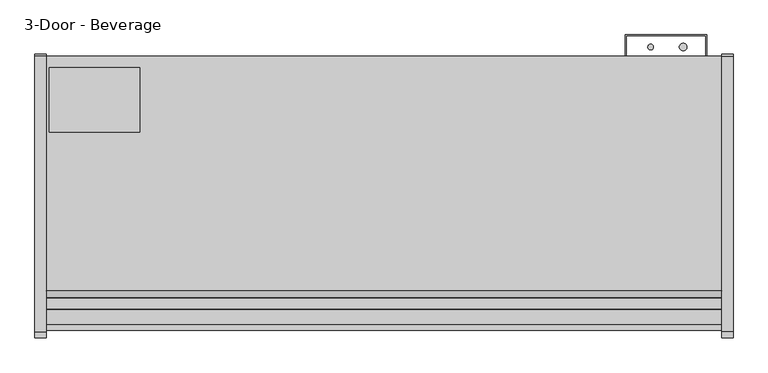
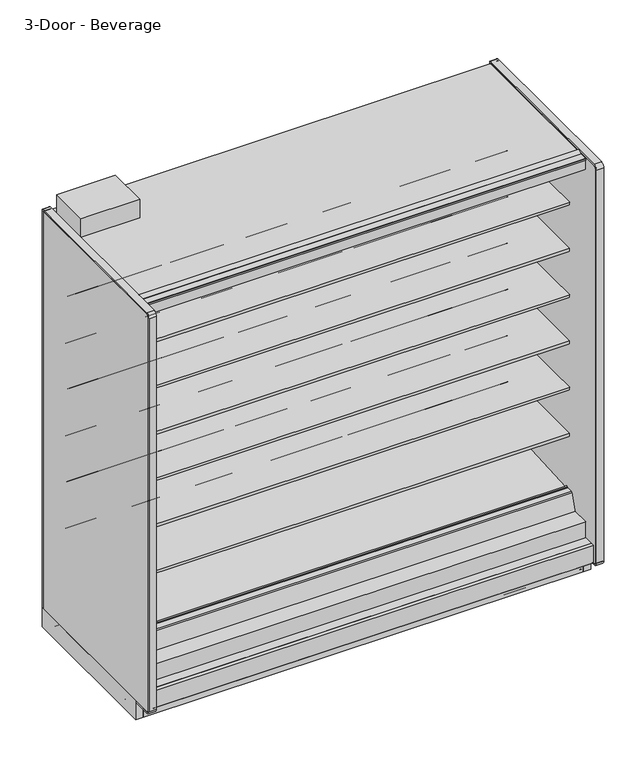
"""IFC4 building model written with IfcOpenShell, lengths in millimetres: proxy geometry, 3-Door - Beverage."""

import ifcopenshell
import ifcopenshell.guid

model = None  # the IFC model being written
_history = None  # IfcOwnerHistory: only IFC2X3 demands one
_inside = {}  # id of a spatial element -> (the spatial element, [elements in it])
_under = {}  # id of a project, library or spatial element -> (it, [spatial elements below it])
_declared = {}  # id of a project -> (the project, [libraries it declares])
_typed = {}  # id of a type object -> (the type object, [elements of that type])
_made_of = {}  # id of a material, layer set ... -> (it, [elements and type objects made of it])


def new_model(schema):
    """Start an empty IFC model of exactly this schema.

    Asked for "IFC4X3", IfcOpenShell would pick the latest addendum, in which some entities
    have other attributes; the version numbers below select the first issue.
    IFC2X3 requires an IfcOwnerHistory on every rooted entity: one is made here for all.
    """
    global model, _history
    if schema == "IFC4X3":
        model = ifcopenshell.file(schema_version=(4, 3, 0, 0))
    else:
        model = ifcopenshell.file(schema=schema)
    _inside.clear()
    _under.clear()
    _declared.clear()
    _typed.clear()
    _made_of.clear()
    _history = None
    if model.schema == "IFC2X3":
        org = make("IfcOrganization", Name="unknown")
        user = make(
            "IfcPersonAndOrganization",
            ThePerson=make("IfcPerson", FamilyName="unknown"),
            TheOrganization=org,
        )
        app = make(
            "IfcApplication",
            ApplicationDeveloper=org,
            Version="unknown",
            ApplicationFullName="unknown",
            ApplicationIdentifier="unknown",
        )
        _history = make(
            "IfcOwnerHistory",
            OwningUser=user,
            OwningApplication=app,
            ChangeAction="ADDED",
            CreationDate=0,
        )
    return model


def make(cls, **values):
    """One entity of the class cls with the attributes given. An attribute that is None is left unset."""
    return model.create_entity(
        cls, **{name: value for name, value in values.items() if value is not None}
    )


def rooted(cls, **values):
    """An entity with a GlobalId (a new one), such as an element, a storey or a relation."""
    return make(cls, GlobalId=ifcopenshell.guid.new(), OwnerHistory=_history, **values)


def si_unit(unit_type, name, prefix=None):
    """IfcSIUnit, for example si_unit("LENGTHUNIT", "METRE", prefix="MILLI")."""
    return make("IfcSIUnit", UnitType=unit_type, Prefix=prefix, Name=name)


def assignment(units):
    """IfcUnitAssignment: the units of a project."""
    return None if units is None else make("IfcUnitAssignment", Units=units)


def point(xyz):
    """IfcCartesianPoint."""
    return None if xyz is None else make("IfcCartesianPoint", Coordinates=xyz)


def direction(xyz):
    """IfcDirection."""
    return None if xyz is None else make("IfcDirection", DirectionRatios=xyz)


def frame(location, z_axis=None, x_axis=None):
    """IfcAxis2Placement3D, a coordinate frame: its origin and axes. An axis left out is left unset."""
    return make(
        "IfcAxis2Placement3D",
        Location=point(location),
        Axis=direction(z_axis),
        RefDirection=direction(x_axis),
    )


def frame_2d(location, x_axis=None):
    """IfcAxis2Placement2D, a coordinate frame in the plane: its origin and x axis."""
    return make(
        "IfcAxis2Placement2D", Location=point(location), RefDirection=direction(x_axis)
    )


def origin():
    """The frame at (0, 0, 0) with its axes left unset."""
    return frame((0.0, 0.0, 0.0))


def origin_with_axes():
    """The frame at (0, 0, 0) with the z axis (0, 0, 1) and the x axis (1, 0, 0) written out."""
    return frame((0.0, 0.0, 0.0), z_axis=(0.0, 0.0, 1.0), x_axis=(1.0, 0.0, 0.0))


def place(relative_to, where):
    """IfcLocalPlacement: puts the frame where relative to a parent placement (None: the world)."""
    return make(
        "IfcLocalPlacement", PlacementRelTo=relative_to, RelativePlacement=where
    )


def context(
    kind, dimensions, precision=None, world=None, true_north=None, identifier=None
):
    """IfcGeometricRepresentationContext, for example the 3D "Model" context."""
    return make(
        "IfcGeometricRepresentationContext",
        ContextIdentifier=identifier,
        ContextType=kind,
        CoordinateSpaceDimension=dimensions,
        Precision=precision,
        WorldCoordinateSystem=world,
        TrueNorth=true_north,
    )


def project(units=None, contexts=None):
    """IfcProject with its units and contexts."""
    return rooted(
        "IfcProject",
        Name="project",
        RepresentationContexts=contexts,
        UnitsInContext=assignment(units),
    )


def spatial(cls, under=None, at=None, **own):
    """A site, building, storey or space (cls), placed at a placement, below another one or the project."""
    s = rooted(cls, ObjectPlacement=at, **own)
    if under is not None:
        _under.setdefault(under.id(), (under, []))[1].append(s)
    return s


def polyline(points):
    """IfcPolyline through the points."""
    return make("IfcPolyline", Points=[point(p) for p in points])


def circle_curve(where, radius):
    """IfcCircle in the frame where."""
    return make("IfcCircle", Position=where, Radius=radius)


def trimmed(basis, trim1, trim2, sense, master):
    """IfcTrimmedCurve: the piece of a basis curve between two trims."""
    return make(
        "IfcTrimmedCurve",
        BasisCurve=basis,
        Trim1=trim1,
        Trim2=trim2,
        SenseAgreement=sense,
        MasterRepresentation=master,
    )


def segment(curve, same_sense, transition):
    """IfcCompositeCurveSegment."""
    return make(
        "IfcCompositeCurveSegment",
        Transition=transition,
        SameSense=same_sense,
        ParentCurve=curve,
    )


def composite_curve(segments, self_intersect=None):
    """IfcCompositeCurve: segments joined end to end."""
    return make("IfcCompositeCurve", Segments=segments, SelfIntersect=self_intersect)


def outline(outer, holes=None, kind="AREA"):
    """IfcArbitraryClosedProfileDef: a profile drawn as a closed curve; with holes, ...WithVoids."""
    if holes is None:
        return make("IfcArbitraryClosedProfileDef", ProfileType=kind, OuterCurve=outer)
    return make(
        "IfcArbitraryProfileDefWithVoids",
        ProfileType=kind,
        OuterCurve=outer,
        InnerCurves=holes,
    )


def extrude(swept, where, along, depth):
    """IfcExtrudedAreaSolid: the profile swept, set in the frame where, extruded along a direction by depth."""
    return make(
        "IfcExtrudedAreaSolid",
        SweptArea=swept,
        Position=where,
        ExtrudedDirection=direction(along),
        Depth=depth,
    )


def shape(context_of_items, identifier, shape_type, items):
    """IfcShapeRepresentation: the items that make up one representation, for example the "Body"."""
    return make(
        "IfcShapeRepresentation",
        ContextOfItems=context_of_items,
        RepresentationIdentifier=identifier,
        RepresentationType=shape_type,
        Items=items,
    )


def source(mapping_origin, context_of_items, identifier, shape_type, items):
    """IfcRepresentationMap: a shape defined once, which mapped items show again and again."""
    return make(
        "IfcRepresentationMap",
        MappingOrigin=mapping_origin,
        MappedRepresentation=shape(context_of_items, identifier, shape_type, items),
    )


def transform(
    local_origin,
    x_axis=None,
    y_axis=None,
    z_axis=None,
    scale=None,
    scale2=None,
    scale3=None,
    uniform=True,
):
    """IfcCartesianTransformationOperator3D, or its non-uniform kind. x_axis, y_axis, z_axis: its Axis1, 2, 3."""
    if uniform:
        return make(
            "IfcCartesianTransformationOperator3D",
            Axis1=direction(x_axis),
            Axis2=direction(y_axis),
            LocalOrigin=point(local_origin),
            Scale=scale,
            Axis3=direction(z_axis),
        )
    return make(
        "IfcCartesianTransformationOperator3DnonUniform",
        Axis1=direction(x_axis),
        Axis2=direction(y_axis),
        LocalOrigin=point(local_origin),
        Scale=scale,
        Axis3=direction(z_axis),
        Scale2=scale2,
        Scale3=scale3,
    )


def mapped(mapping_source, mapping_target):
    """IfcMappedItem: shows the shape of a source again, moved by a transform."""
    return make(
        "IfcMappedItem", MappingSource=mapping_source, MappingTarget=mapping_target
    )


def made_of(thing, what):
    """Note that an element or type object is made of a material, layer set ...; save() writes the relation."""
    if what is not None:
        _made_of.setdefault(what.id(), (what, []))[1].append(thing)
    return thing


def element(
    cls,
    number,
    at=None,
    inside=None,
    cuts=None,
    type_object=None,
    material=None,
    context=None,
    identifier="Body",
    shape_type=None,
    held_by="IfcProductDefinitionShape",
    body=None,
    shapes=None,
    **own,
):
    """One element of the class cls, such as IfcWall. Its Tag is "e" and its number.

    at: its placement. inside: the storey or other place that contains it. cuts: it is an
    opening in that element (IfcRelVoidsElement). A single representation is given by context,
    identifier, shape_type and body (its items); several are given by shapes. held_by: the class
    of the entity that holds the representations. save() writes the other relations.
    """
    e = rooted(cls, Tag="e%d" % number, ObjectPlacement=at, **own)
    if body is not None:
        shapes = [shape(context, identifier, shape_type, body)]
    if shapes is not None:
        e.Representation = make(held_by, Representations=shapes)
    if inside is not None:
        _inside.setdefault(inside.id(), (inside, []))[1].append(e)
    if cuts is not None:
        rooted(
            "IfcRelVoidsElement", RelatingBuildingElement=cuts, RelatedOpeningElement=e
        )
    if type_object is not None:
        _typed.setdefault(type_object.id(), (type_object, []))[1].append(e)
    return made_of(e, material)


def aggregate(whole, parts):
    """IfcRelAggregates: a whole, such as a stair, and the parts it consists of."""
    return rooted("IfcRelAggregates", RelatingObject=whole, RelatedObjects=parts)


def save(model, path):
    """Write the relations noted so far, then the file.

    IfcRelAggregates (storeys below a building ...), IfcRelContainedInSpatialStructure (elements
    in a storey), IfcRelDefinesByType, IfcRelAssociatesMaterial and IfcRelDeclares: one each for
    every whole, place, type object, material and project.
    """
    for whole, parts in _under.values():
        aggregate(whole, parts)
    for where, things in _inside.values():
        rooted(
            "IfcRelContainedInSpatialStructure",
            RelatedElements=things,
            RelatingStructure=where,
        )
    for kind, things in _typed.values():
        rooted("IfcRelDefinesByType", RelatedObjects=things, RelatingType=kind)
    for what, things in _made_of.values():
        rooted("IfcRelAssociatesMaterial", RelatedObjects=things, RelatingMaterial=what)
    for by, libraries in _declared.values():
        rooted("IfcRelDeclares", RelatingContext=by, RelatedDefinitions=libraries)
    model.write(path)


def plane_surface(at):
    """IfcPlane: the flat surface through the origin of the frame at, square to its z axis."""
    return make("IfcPlane", Position=at)


def cylinder_surface(at, radius):
    """IfcCylindricalSurface: all points at the distance radius from the z axis of the frame at."""
    return make("IfcCylindricalSurface", Position=at, Radius=radius)


def revolved_surface(curve, axis_point, axis_direction):
    """IfcSurfaceOfRevolution: the curve turned about the line through axis_point along axis_direction."""
    return make(
        "IfcSurfaceOfRevolution",
        SweptCurve=make("IfcArbitraryOpenProfileDef", ProfileType="CURVE", Curve=curve),
        AxisPosition=make("IfcAxis1Placement", Location=point(axis_point), Axis=direction(axis_direction)),
    )


def advanced_brep(points, edges, surfaces, faces):
    """IfcAdvancedBrep: a solid bounded by faces that lie on surfaces and meet in shared edges.

    An edge is (start, end): straight between two places in points (the first is 0);
    or (start, end, curve); or (start, end, curve, False) where it runs against its curve.
    A face is (place in surfaces, loops), or (place, loops, False) where it looks against
    its surface's normal. A loop lists edges by number (the first is 1), with a minus sign
    where the edge is run from its end to its start. The first loop is the outer one.
    """
    corners = [point(p) for p in points]
    vertices = [make("IfcVertexPoint", VertexGeometry=c) for c in corners]
    made = []
    for start, end, *more in edges:
        made.append(
            make(
                "IfcEdgeCurve",
                EdgeStart=vertices[start],
                EdgeEnd=vertices[end],
                EdgeGeometry=more[0] if more else make("IfcPolyline", Points=[corners[start], corners[end]]),
                SameSense=more[1] if len(more) > 1 else True,
            )
        )
    hull = []
    for where, loops, *sense in faces:
        bounds = []
        for j, loop in enumerate(loops):
            ring = [make("IfcOrientedEdge", EdgeElement=made[abs(k) - 1], Orientation=k > 0) for k in loop]
            bounds.append(
                make(
                    "IfcFaceOuterBound" if j == 0 else "IfcFaceBound",
                    Bound=make("IfcEdgeLoop", EdgeList=ring),
                    Orientation=True,
                )
            )
        hull.append(make("IfcAdvancedFace", Bounds=bounds, FaceSurface=surfaces[where], SameSense=sense[0] if sense else True))
    return make("IfcAdvancedBrep", Outer=make("IfcClosedShell", CfsFaces=hull))


def proxy_3_door_beverage_190726e1(model_context):
    return source(origin(), model_context, "Body", "SolidModel", [
        extrude(outline(polyline([(2286.0, -1167.5349267), (2286.0, -1183.4099267), (0.0, -1183.4099267), (0.0, -1167.5349267), (2286.0, -1167.5349267)])), origin_with_axes(), (0.0, 0.0, 1.0), 105.16235),
        extrude(outline(polyline([(315.9000882, -386.7007273), (315.9000882, -605.1295388), (11.1115648, -605.1295388), (11.1115648, -386.7007273), (315.9000882, -386.7007273)])), frame((0.0, 0.0, 2282.825), z_axis=(0.0, 0.0, 1.0), x_axis=(1.0, 0.0, 0.0)), (0.0, 0.0, 1.0), 101.6),
        extrude(outline(composite_curve([segment(trimmed(circle_curve(frame_2d((2155.1930803, -317.2571273)), 12.7), [point((2142.4930803, -317.2571273))], [point((2167.8930803, -317.2571273))], False, "CARTESIAN"), True, "CONTINUOUS"), segment(trimmed(circle_curve(frame_2d((2155.1930803, -317.2571273)), 12.7), [point((2167.8930803, -317.2571273))], [point((2142.4930803, -317.2571273))], False, "CARTESIAN"), True, "CONTINUOUS")], self_intersect=False)), frame((0.0, 0.0, 1447.6965458), z_axis=(0.0, 0.0, 1.0), x_axis=(1.0, 0.0, 0.0)), (0.0, 0.0, 1.0), 508.0),
        extrude(outline(composite_curve([segment(trimmed(circle_curve(frame_2d((2045.2004524, -317.2571273)), 9.525), [point((2035.6754524, -317.2571273))], [point((2054.7254524, -317.2571273))], False, "CARTESIAN"), True, "CONTINUOUS"), segment(trimmed(circle_curve(frame_2d((2045.2004524, -317.2571273)), 9.525), [point((2054.7254524, -317.2571273))], [point((2035.6754524, -317.2571273))], False, "CARTESIAN"), True, "CONTINUOUS")], self_intersect=False)), frame((0.0, 0.0, 1447.6965458), z_axis=(0.0, 0.0, 1.0), x_axis=(1.0, 0.0, 0.0)), (0.0, 0.0, 1.0), 508.0),
        extrude(outline(composite_curve([segment(trimmed(circle_curve(frame_2d((2146.8004524, -526.8071273)), 9.525), [point((2137.2754524, -526.8071273))], [point((2156.3254524, -526.8071273))], False, "CARTESIAN"), True, "CONTINUOUS"), segment(trimmed(circle_curve(frame_2d((2146.8004524, -526.8071273)), 9.525), [point((2156.3254524, -526.8071273))], [point((2137.2754524, -526.8071273))], False, "CARTESIAN"), True, "CONTINUOUS")], self_intersect=False)), frame((0.0, 0.0, 57.8450688), z_axis=(0.0, 0.0, 1.0), x_axis=(1.0, 0.0, 0.0)), (0.0, 0.0, 1.0), 47.3172812),
        extrude(outline(composite_curve([segment(trimmed(circle_curve(frame_2d((2193.2930803, -526.8071273)), 12.7), [point((2180.5930803, -526.8071273))], [point((2205.9930803, -526.8071273))], False, "CARTESIAN"), True, "CONTINUOUS"), segment(trimmed(circle_curve(frame_2d((2193.2930803, -526.8071273)), 12.7), [point((2205.9930803, -526.8071273))], [point((2180.5930803, -526.8071273))], False, "CARTESIAN"), True, "CONTINUOUS")], self_intersect=False)), frame((0.0, 0.0, 57.8450688), z_axis=(0.0, 0.0, 1.0), x_axis=(1.0, 0.0, 0.0)), (0.0, 0.0, 1.0), 47.3172812),
        extrude(outline(composite_curve([segment(trimmed(circle_curve(frame_2d((1143.0, -945.9071273)), 38.1), [point((1104.9, -945.9071273))], [point((1181.1, -945.9071273))], False, "CARTESIAN"), True, "CONTINUOUS"), segment(trimmed(circle_curve(frame_2d((1143.0, -945.9071273)), 38.1), [point((1181.1, -945.9071273))], [point((1104.9, -945.9071273))], False, "CARTESIAN"), True, "CONTINUOUS")], self_intersect=False)), frame((0.0, 0.0, 57.8450688), z_axis=(0.0, 0.0, 1.0), x_axis=(1.0, 0.0, 0.0)), (0.0, 0.0, 1.0), 47.3172812),
        extrude(outline(polyline([(114.3, -411.7999572), (114.3, -462.5999572), (0.0, -462.5999572), (0.0, -411.7999572), (114.3, -411.7999572)])), frame((0.0, 0.0, 63.88735), z_axis=(0.0, 0.0, 1.0), x_axis=(1.0, 0.0, 0.0)), (0.0, 0.0, 1.0), 6.35),
        extrude(outline(polyline([(-349.0071273, 2231.5678), (-349.0071273, 105.16235), (-1256.6126273, 105.16235), (-1256.6126273, 201.2447768), (-1205.5205047, 201.2447768), (-1205.5205047, 169.3369447), (-1112.6665508, 150.0632248), (-401.0517273, 187.3573774), (-401.0517273, 2231.5678), (-349.0071273, 2231.5678)])), frame((0.0, 0.0, 0.0), z_axis=(1.0, 0.0, 0.0), x_axis=(0.0, 1.0, 0.0)), (0.0, 0.0, 1.0), 2286.0),
        advanced_brep(
        [(2286.0, -1018.871097, 105.16235), (2286.0, -1022.1071273, 101.9263197), (2286.0, -1022.1071273, 2.3876), (2286.0, -1019.7195273, 0.0), (2286.0, -982.0132273, 0.0), (2286.0, -982.0132273, 70.23735), (2286.0, -383.2457368, 70.23735), (2286.0, -383.2457368, 0.0), (2286.0, -351.3947273, 0.0), (2286.0, -349.0071273, 2.3876), (2286.0, -349.0071273, 100.830191), (2286.0, -353.3392863, 105.16235), (0.0, -1018.871097, 105.16235), (0.0, -353.3392863, 105.16235), (0.0, -349.0071273, 100.830191), (0.0, -349.0071273, 2.3876), (0.0, -351.3947273, 0.0), (0.0, -383.2457368, 0.0), (0.0, -383.2457368, 70.23735), (0.0, -982.0132273, 70.23735), (0.0, -982.0132273, 0.0), (0.0, -1019.7195273, 0.0), (0.0, -1022.1071273, 2.3876), (0.0, -1022.1071273, 101.9263197), (1193.8, -945.9071273, 105.16235), (1092.2, -945.9071273, 105.16235), (2222.5, -526.8071273, 105.16235), (2120.9, -526.8071273, 105.16235), (1107.2650095, -982.0132273, 70.23735), (1178.7349905, -982.0132273, 70.23735), (1193.8, -945.9071273, 70.23735), (1092.2, -945.9071273, 70.23735), (2120.9, -526.8071273, 70.23735), (2222.5, -526.8071273, 70.23735)],
        [
            (0, 1, circle_curve(frame((2286.0, -1018.871097, 101.9263197), z_axis=(1.0, 0.0, 0.0), x_axis=(0.0, 1.0, 0.0)), 3.2360303)),
            (1, 2),
            (2, 3, circle_curve(frame((2286.0, -1019.7195273, 2.3876), z_axis=(1.0, 0.0, 0.0), x_axis=(0.0, 1.0, 0.0)), 2.3876)),
            (3, 4),
            (4, 5),
            (5, 6),
            (6, 7),
            (7, 8),
            (8, 9, circle_curve(frame((2286.0, -351.3947273, 2.3876), z_axis=(1.0, 0.0, 0.0), x_axis=(0.0, 1.0, 0.0)), 2.3876)),
            (9, 10),
            (10, 11, circle_curve(frame((2286.0, -353.3392863, 100.830191), z_axis=(1.0, 0.0, 0.0), x_axis=(0.0, 1.0, 0.0)), 4.332159)),
            (11, 0),
            (12, 13),
            (13, 14, circle_curve(frame((0.0, -353.3392863, 100.830191), z_axis=(-1.0, 0.0, 0.0), x_axis=(0.0, 1.0, 0.0)), 4.332159)),
            (14, 15),
            (15, 16, circle_curve(frame((0.0, -351.3947273, 2.3876), z_axis=(-1.0, 0.0, 0.0), x_axis=(0.0, 1.0, 0.0)), 2.3876)),
            (16, 17),
            (17, 18),
            (18, 19),
            (19, 20),
            (20, 21),
            (21, 22, circle_curve(frame((0.0, -1019.7195273, 2.3876), z_axis=(-1.0, 0.0, 0.0), x_axis=(0.0, 1.0, 0.0)), 2.3876)),
            (22, 23),
            (23, 12, circle_curve(frame((0.0, -1018.871097, 101.9263197), z_axis=(-1.0, 0.0, 0.0), x_axis=(0.0, 1.0, 0.0)), 3.2360303)),
            (10, 14),
            (13, 11),
            (12, 0),
            (24, 25, circle_curve(frame((1143.0, -945.9071273, 105.16235), z_axis=(0.0, 0.0, -1.0), x_axis=(1.0, 0.0, 0.0)), 50.8)),
            (25, 24, circle_curve(frame((1143.0, -945.9071273, 105.16235), z_axis=(0.0, 0.0, -1.0), x_axis=(1.0, 0.0, 0.0)), 50.8)),
            (26, 27, circle_curve(frame((2171.7, -526.8071273, 105.16235), z_axis=(0.0, 0.0, -1.0), x_axis=(1.0, 0.0, 0.0)), 50.8)),
            (27, 26, circle_curve(frame((2171.7, -526.8071273, 105.16235), z_axis=(0.0, 0.0, -1.0), x_axis=(1.0, 0.0, 0.0)), 50.8)),
            (23, 1),
            (22, 2),
            (21, 3),
            (20, 4),
            (19, 28),
            (28, 29),
            (29, 5),
            (29, 30, circle_curve(frame((1143.0, -945.9071273, 70.23735), z_axis=(0.0, 0.0, 1.0), x_axis=(1.0, 0.0, 0.0)), 50.8)),
            (30, 31, circle_curve(frame((1143.0, -945.9071273, 70.23735), z_axis=(0.0, 0.0, 1.0), x_axis=(1.0, 0.0, 0.0)), 50.8)),
            (31, 28, circle_curve(frame((1143.0, -945.9071273, 70.23735), z_axis=(0.0, 0.0, 1.0), x_axis=(1.0, 0.0, 0.0)), 50.8)),
            (18, 6),
            (32, 33, circle_curve(frame((2171.7, -526.8071273, 70.23735), z_axis=(0.0, 0.0, 1.0), x_axis=(1.0, 0.0, 0.0)), 50.8)),
            (33, 32, circle_curve(frame((2171.7, -526.8071273, 70.23735), z_axis=(0.0, 0.0, 1.0), x_axis=(1.0, 0.0, 0.0)), 50.8)),
            (17, 7),
            (16, 8),
            (15, 9),
            (28, 29, circle_curve(frame((1143.0, -945.9071273, 70.23735), z_axis=(0.0, 0.0, 1.0), x_axis=(1.0, 0.0, 0.0)), 50.8)),
            (24, 30),
            (31, 25),
            (32, 27),
            (26, 33),
        ],
        [
            plane_surface(frame((2286.0, -1015.6350667, 101.9263197), z_axis=(1.0, 0.0, 0.0), x_axis=(0.0, 0.0, 1.0))),
            plane_surface(frame((0.0, -1015.6350667, 101.9263197), z_axis=(-1.0, 0.0, 0.0), x_axis=(0.0, 0.0, -1.0))),
            cylinder_surface(frame((0.0, -353.3392863, 100.830191), z_axis=(1.0, 0.0, 0.0), x_axis=(0.0, 1.0, 0.0)), 4.332159),
            plane_surface(frame((2286.0, -353.3392863, 105.16235), z_axis=(0.0, 0.0, 1.0), x_axis=(-1.0, 0.0, 0.0))),
            cylinder_surface(frame((0.0, -1018.871097, 101.9263197), z_axis=(1.0, 0.0, 0.0), x_axis=(0.0, 1.0, 0.0)), 3.2360303),
            plane_surface(frame((2286.0, -1022.1071273, 101.9263197), z_axis=(0.0, -1.0, 0.0), x_axis=(-1.0, 0.0, 0.0))),
            cylinder_surface(frame((0.0, -1019.7195273, 2.3876), z_axis=(1.0, 0.0, 0.0), x_axis=(0.0, 1.0, 0.0)), 2.3876),
            plane_surface(frame((2286.0, -1019.7195273, 0.0), z_axis=(0.0, 0.0, -1.0), x_axis=(-1.0, 0.0, 0.0))),
            plane_surface(frame((2286.0, -982.0132273, 0.0), z_axis=(0.0, 1.0, 0.0), x_axis=(-1.0, 0.0, 0.0))),
            plane_surface(frame((2286.0, -982.0132273, 70.23735), z_axis=(0.0, 0.0, -1.0), x_axis=(-1.0, 0.0, 0.0))),
            plane_surface(frame((2286.0, -383.2457368, 70.23735), z_axis=(0.0, -1.0, 0.0), x_axis=(-1.0, 0.0, 0.0))),
            plane_surface(frame((2286.0, -383.2457368, 0.0), z_axis=(0.0, 0.0, -1.0), x_axis=(-1.0, 0.0, 0.0))),
            cylinder_surface(frame((0.0, -351.3947273, 2.3876), z_axis=(1.0, 0.0, 0.0), x_axis=(0.0, 1.0, 0.0)), 2.3876),
            plane_surface(frame((1193.8, -945.9071273, 70.23735), z_axis=(0.0, 0.0, 1.0), x_axis=(0.0, -1.0, 0.0))),
            revolved_surface(polyline([(1193.8, -945.9071273, 105.16235), (1193.8, -945.9071273, 70.23735)]), (1143.0, -945.9071273, 70.23735), (0.0, 0.0, 1.0)),
            revolved_surface(polyline([(2222.5, -526.8071273, 105.16235), (2222.5, -526.8071273, 70.23735)]), (2171.7, -526.8071273, 0.0), (0.0, 0.0, 1.0)),
            plane_surface(frame((2286.0, -349.0071273, 2.3876), z_axis=(0.0, 1.0, 0.0), x_axis=(-1.0, 0.0, 0.0))),
        ],
        [
            (0, [[1, 2, 3, 4, 5, 6, 7, 8, 9, 10, 11, 12]]),
            (1, [[13, 14, 15, 16, 17, 18, 19, 20, 21, 22, 23, 24]]),
            (2, [[-11, 25, -14, 26]]),
            (3, [[-12, -26, -13, 27], [28, 29], [30, 31]]),
            (4, [[-1, -27, -24, 32]]),
            (5, [[-2, -32, -23, 33]]),
            (6, [[-3, -33, -22, 34]]),
            (7, [[-4, -34, -21, 35]]),
            (8, [[-5, -35, -20, 36, 37, 38]]),
            (9, [[-6, -38, 39, 40, 41, -36, -19, 42], [43, 44]]),
            (10, [[-7, -42, -18, 45]]),
            (11, [[-8, -45, -17, 46]]),
            (12, [[-9, -46, -16, 47]]),
            (13, [[48, -37]]),
            (14, [[49, -39, -48, -41, 50, -28]]),
            (14, [[-49, -29, -50, -40]]),
            (15, [[51, -30, 52, -43]]),
            (15, [[-51, -44, -52, -31]]),
            (16, [[-10, -47, -15, -25]]),
        ],
    ),
        extrude(outline(polyline([(1958.975, -349.0071273), (1958.975, -275.9821273), (2235.2, -275.9821273), (2235.2, -349.0071273), (2232.025, -349.0071273), (2232.025, -279.1571273), (1962.15, -279.1571273), (1962.15, -349.0071273), (1958.975, -349.0071273)])), frame((0.0, 0.0, 304.927), z_axis=(0.0, 0.0, 1.0), x_axis=(1.0, 0.0, 0.0)), (0.0, 0.0, 1.0), 1523.3666145),
        extrude(outline(composite_curve([segment(polyline([(-452.3089273, 610.906076), (-470.5727913, 610.5955195)]), True, "CONTINUOUS"), segment(trimmed(circle_curve(frame_2d((-471.0046274, 635.9918483)), 25.4), [point((-470.5727913, 610.5955195))], [point((-486.9819836, 616.2463656))], False, "CARTESIAN"), True, "CONTINUOUS"), segment(polyline([(-486.9819836, 616.2463656), (-504.8340447, 630.6916311)]), True, "CONTINUOUS"), segment(trimmed(circle_curve(frame_2d((-544.7774354, 581.3279244)), 63.5), [point((-504.8340447, 630.6916311))], [point((-536.8795542, 644.3348563))], True, "CARTESIAN"), True, "CONTINUOUS"), segment(polyline([(-536.8795542, 644.3348563), (-751.3282218, 668.0319937), (-752.8169983, 671.4725458), (-1061.9089273, 671.4725458), (-1061.9089273, 685.6965458), (-452.3089273, 685.6965458), (-452.3089273, 610.906076)]), True, "CONTINUOUS")], self_intersect=False)), frame((0.0, 0.0, 0.0), z_axis=(1.0, 0.0, 0.0), x_axis=(0.0, 1.0, 0.0)), (0.0, 0.0, 1.0), 2286.0),
        extrude(outline(composite_curve([segment(polyline([(-452.3089273, 864.906076), (-470.5727913, 864.5955195)]), True, "CONTINUOUS"), segment(trimmed(circle_curve(frame_2d((-471.0046274, 889.9918483)), 25.4), [point((-470.5727913, 864.5955195))], [point((-486.9819836, 870.2463656))], False, "CARTESIAN"), True, "CONTINUOUS"), segment(polyline([(-486.9819836, 870.2463656), (-504.8340447, 884.6916311)]), True, "CONTINUOUS"), segment(trimmed(circle_curve(frame_2d((-544.7774354, 835.3279244)), 63.5), [point((-504.8340447, 884.6916311))], [point((-536.8795542, 898.3348563))], True, "CARTESIAN"), True, "CONTINUOUS"), segment(polyline([(-536.8795542, 898.3348563), (-751.3282218, 922.0319937), (-752.8169983, 925.4725458), (-1061.9089273, 925.4725458), (-1061.9089273, 939.6965458), (-452.3089273, 939.6965458), (-452.3089273, 864.906076)]), True, "CONTINUOUS")], self_intersect=False)), frame((0.0, 0.0, 0.0), z_axis=(1.0, 0.0, 0.0), x_axis=(0.0, 1.0, 0.0)), (0.0, 0.0, 1.0), 2286.0),
        extrude(outline(composite_curve([segment(polyline([(-452.3089273, 1118.906076), (-470.5727913, 1118.5955195)]), True, "CONTINUOUS"), segment(trimmed(circle_curve(frame_2d((-471.0046274, 1143.9918483)), 25.4), [point((-470.5727913, 1118.5955195))], [point((-486.9819836, 1124.2463656))], False, "CARTESIAN"), True, "CONTINUOUS"), segment(polyline([(-486.9819836, 1124.2463656), (-504.8340447, 1138.6916311)]), True, "CONTINUOUS"), segment(trimmed(circle_curve(frame_2d((-544.7774354, 1089.3279244)), 63.5), [point((-504.8340447, 1138.6916311))], [point((-536.8795542, 1152.3348563))], True, "CARTESIAN"), True, "CONTINUOUS"), segment(polyline([(-536.8795542, 1152.3348563), (-751.3282218, 1176.0319937), (-752.8169983, 1179.4725458), (-1061.9089273, 1179.4725458), (-1061.9089273, 1193.6965458), (-452.3089273, 1193.6965458), (-452.3089273, 1118.906076)]), True, "CONTINUOUS")], self_intersect=False)), frame((0.0, 0.0, 0.0), z_axis=(1.0, 0.0, 0.0), x_axis=(0.0, 1.0, 0.0)), (0.0, 0.0, 1.0), 2286.0),
        extrude(outline(composite_curve([segment(polyline([(-452.3089273, 1372.906076), (-470.5727913, 1372.5955195)]), True, "CONTINUOUS"), segment(trimmed(circle_curve(frame_2d((-471.0046274, 1397.9918483)), 25.4), [point((-470.5727913, 1372.5955195))], [point((-486.9819836, 1378.2463656))], False, "CARTESIAN"), True, "CONTINUOUS"), segment(polyline([(-486.9819836, 1378.2463656), (-504.8340447, 1392.6916311)]), True, "CONTINUOUS"), segment(trimmed(circle_curve(frame_2d((-544.7774354, 1343.3279244)), 63.5), [point((-504.8340447, 1392.6916311))], [point((-536.8795542, 1406.3348563))], True, "CARTESIAN"), True, "CONTINUOUS"), segment(polyline([(-536.8795542, 1406.3348563), (-751.3282218, 1430.0319937), (-752.8169983, 1433.4725458), (-1061.9089273, 1433.4725458), (-1061.9089273, 1447.6965458), (-452.3089273, 1447.6965458), (-452.3089273, 1372.906076)]), True, "CONTINUOUS")], self_intersect=False)), frame((0.0, 0.0, 0.0), z_axis=(1.0, 0.0, 0.0), x_axis=(0.0, 1.0, 0.0)), (0.0, 0.0, 1.0), 2286.0),
        extrude(outline(composite_curve([segment(polyline([(-452.3089273, 1626.906076), (-470.5727913, 1626.5955195)]), True, "CONTINUOUS"), segment(trimmed(circle_curve(frame_2d((-471.0046274, 1651.9918483)), 25.4), [point((-470.5727913, 1626.5955195))], [point((-486.9819836, 1632.2463656))], False, "CARTESIAN"), True, "CONTINUOUS"), segment(polyline([(-486.9819836, 1632.2463656), (-504.8340447, 1646.6916311)]), True, "CONTINUOUS"), segment(trimmed(circle_curve(frame_2d((-544.7774354, 1597.3279244)), 63.5), [point((-504.8340447, 1646.6916311))], [point((-536.8795542, 1660.3348563))], True, "CARTESIAN"), True, "CONTINUOUS"), segment(polyline([(-536.8795542, 1660.3348563), (-751.3282218, 1684.0319937), (-752.8169983, 1687.4725458), (-1061.9089273, 1687.4725458), (-1061.9089273, 1701.6965458), (-452.3089273, 1701.6965458), (-452.3089273, 1626.906076)]), True, "CONTINUOUS")], self_intersect=False)), frame((0.0, 0.0, 0.0), z_axis=(1.0, 0.0, 0.0), x_axis=(0.0, 1.0, 0.0)), (0.0, 0.0, 1.0), 2286.0),
        extrude(outline(composite_curve([segment(polyline([(-452.3089273, 1880.906076), (-470.5727913, 1880.5955195)]), True, "CONTINUOUS"), segment(trimmed(circle_curve(frame_2d((-471.0046274, 1905.9918483)), 25.4), [point((-470.5727913, 1880.5955195))], [point((-486.9819836, 1886.2463656))], False, "CARTESIAN"), True, "CONTINUOUS"), segment(polyline([(-486.9819836, 1886.2463656), (-504.8340447, 1900.6916311)]), True, "CONTINUOUS"), segment(trimmed(circle_curve(frame_2d((-544.7774354, 1851.3279244)), 63.5), [point((-504.8340447, 1900.6916311))], [point((-536.8795542, 1914.3348563))], True, "CARTESIAN"), True, "CONTINUOUS"), segment(polyline([(-536.8795542, 1914.3348563), (-751.3282218, 1938.0319937), (-752.8169983, 1941.4725458), (-1061.9089273, 1941.4725458), (-1061.9089273, 1955.6965458), (-452.3089273, 1955.6965458), (-452.3089273, 1880.906076)]), True, "CONTINUOUS")], self_intersect=False)), frame((0.0, 0.0, 0.0), z_axis=(1.0, 0.0, 0.0), x_axis=(0.0, 1.0, 0.0)), (0.0, 0.0, 1.0), 2286.0),
        advanced_brep(
        [(2286.0, -562.1054156, 392.489408), (2286.0, -565.4345004, 395.3833373), (2286.0, -1028.1778581, 371.1319845), (2286.0, -1031.8816746, 374.3516629), (2286.0, -1032.3723429, 379.9600263), (2286.0, -1039.3602618, 380.0840123), (2286.0, -1037.6796074, 360.8740328), (2286.0, -1031.0214377, 355.0861739), (2286.0, -564.4043684, 379.5405382), (2286.0, -561.4040704, 382.9438378), (0.0, -562.1054156, 392.489408), (0.0, -561.4040704, 382.9438378), (0.0, -564.4043684, 379.5405382), (0.0, -1031.0214377, 355.0861739), (0.0, -1037.6796074, 360.8740328), (0.0, -1039.3602618, 380.0840123), (0.0, -1032.4336802, 379.95466), (0.0, -1031.8816746, 374.3516629), (0.0, -1028.1778581, 371.1319845), (0.0, -565.4345004, 395.3833373)],
        [
            (0, 1, circle_curve(frame((2286.0, -565.2683338, 392.2126885), z_axis=(1.0, 0.0, 0.0), x_axis=(0.0, 1.0, 0.0)), 3.175)),
            (1, 2),
            (2, 3, circle_curve(frame((2286.0, -1028.362729, 374.6595308), z_axis=(-1.0, 0.0, 0.0), x_axis=(0.0, 1.0, 0.0)), 3.5323874)),
            (3, 4),
            (4, 5, circle_curve(frame((2286.0, -1035.9038485, 379.6510595), z_axis=(1.0, 0.0, 0.0), x_axis=(0.0, 1.0, 0.0)), 3.4834238)),
            (5, 6),
            (6, 7, circle_curve(frame((2286.0, -1031.353771, 361.4274714), z_axis=(1.0, 0.0, 0.0), x_axis=(0.0, 1.0, 0.0)), 6.35)),
            (7, 8),
            (8, 9, circle_curve(frame((2286.0, -564.5705351, 382.711187), z_axis=(1.0, 0.0, 0.0), x_axis=(0.0, 1.0, 0.0)), 3.175)),
            (9, 0),
            (10, 11),
            (11, 12, circle_curve(frame((0.0, -564.5705351, 382.711187), z_axis=(-1.0, 0.0, 0.0), x_axis=(0.0, 1.0, 0.0)), 3.175)),
            (12, 13),
            (13, 14, circle_curve(frame((0.0, -1031.353771, 361.4274714), z_axis=(-1.0, 0.0, 0.0), x_axis=(0.0, 1.0, 0.0)), 6.35)),
            (14, 15),
            (15, 16, circle_curve(frame((0.0, -1035.9038485, 379.6510595), z_axis=(-1.0, 0.0, 0.0), x_axis=(0.0, 1.0, 0.0)), 3.4834238)),
            (16, 17),
            (17, 18, circle_curve(frame((0.0, -1028.362729, 374.6595308), z_axis=(1.0, 0.0, 0.0), x_axis=(0.0, 1.0, 0.0)), 3.5323874)),
            (18, 19),
            (19, 10, circle_curve(frame((0.0, -565.2683338, 392.2126885), z_axis=(-1.0, 0.0, 0.0), x_axis=(0.0, 1.0, 0.0)), 3.175)),
            (0, 10),
            (19, 1),
            (18, 2),
            (17, 3),
            (16, 4),
            (15, 5),
            (14, 6),
            (13, 7),
            (12, 8),
            (11, 9),
        ],
        [
            plane_surface(frame((2286.0, -562.0933338, 392.2126885), z_axis=(1.0, 0.0, 0.0), x_axis=(0.0, 0.0, 1.0))),
            plane_surface(frame((0.0, -562.0933338, 392.2126885), z_axis=(-1.0, 0.0, 0.0), x_axis=(0.0, 0.0, -1.0))),
            cylinder_surface(frame((0.0, -565.2683338, 392.2126885), z_axis=(1.0, 0.0, 0.0), x_axis=(0.0, 1.0, 0.0)), 3.175),
            plane_surface(frame((2286.0, -565.4345004, 395.3833373), z_axis=(0.0, -0.05233595857633936, 0.9986295346322859), x_axis=(-1.0, 0.0, 0.0))),
            revolved_surface(polyline([(0.0, -1024.8303415999999, 374.6595308), (2286.0, -1024.8303415999999, 374.6595308)]), (0.0, -1028.362729, 374.6595308), (-1.0, 0.0, 0.0)),
            plane_surface(frame((2286.0, -1031.8816746, 374.3516629), z_axis=(0.0, 0.9961946955698885, 0.08715577157261226), x_axis=(-1.0, 0.0, 0.0))),
            cylinder_surface(frame((0.0, -1035.9038485, 379.6510595), z_axis=(1.0, 0.0, 0.0), x_axis=(0.0, 1.0, 0.0)), 3.4834238),
            plane_surface(frame((2286.0, -1039.3602618, 380.0840123), z_axis=(0.0, -0.9961947025639891, -0.08715569162966595), x_axis=(-1.0, 0.0, 0.0))),
            cylinder_surface(frame((0.0, -1031.353771, 361.4274714), z_axis=(1.0, 0.0, 0.0), x_axis=(0.0, 1.0, 0.0)), 6.35),
            plane_surface(frame((2286.0, -1031.0214377, 355.0861739), z_axis=(0.0, 0.05233595624300962, -0.9986295347545704), x_axis=(-1.0, 0.0, 0.0))),
            cylinder_surface(frame((0.0, -564.5705351, 382.711187), z_axis=(1.0, 0.0, 0.0), x_axis=(0.0, 1.0, 0.0)), 3.175),
            plane_surface(frame((2286.0, -561.4040704, 382.9438378), z_axis=(0.0, 0.9973117114183065, 0.07327585050948633), x_axis=(-1.0, 0.0, 0.0))),
        ],
        [
            (0, [[1, 2, 3, 4, 5, 6, 7, 8, 9, 10]]),
            (1, [[11, 12, 13, 14, 15, 16, 17, 18, 19, 20]]),
            (2, [[-1, 21, -20, 22]]),
            (3, [[-2, -22, -19, 23]]),
            (4, [[-3, -23, -18, 24]]),
            (5, [[-4, -24, -17, 25]]),
            (6, [[-5, -25, -16, 26]]),
            (7, [[-6, -26, -15, 27]]),
            (8, [[-7, -27, -14, 28]]),
            (9, [[-8, -28, -13, 29]]),
            (10, [[-9, -29, -12, 30]]),
            (11, [[-10, -30, -11, -21]]),
        ],
    ),
        extrude(outline(composite_curve([segment(polyline([(-452.3089273, 2205.7106), (-1055.5314174, 2205.7106), (-1076.6649541, 2210.5896614), (-1079.1443307, 2198.9251118)]), True, "CONTINUOUS"), segment(trimmed(circle_curve(frame_2d((-1080.6350276, 2199.2419692)), 1.524), [point((-1079.1443307, 2198.9251118))], [point((-1080.9518851, 2197.7512722))], False, "CARTESIAN"), True, "CONTINUOUS"), segment(polyline([(-1080.9518851, 2197.7512722), (-1146.9989273, 2211.7900045), (-1146.9989273, 2210.4040825)]), True, "CONTINUOUS"), segment(trimmed(circle_curve(frame_2d((-1149.3773588, 2210.6131219)), 2.3876), [point((-1146.9989273, 2210.4040825))], [point((-1149.3773097, 2208.2255219))], False, "CARTESIAN"), True, "CONTINUOUS"), segment(polyline([(-1149.3773097, 2208.2255219), (-1160.0080838, 2208.2253035), (-1160.0080838, 2223.5012119), (-1205.5205273, 2223.5012119), (-1205.5205273, 2282.0376)]), True, "CONTINUOUS"), segment(trimmed(circle_curve(frame_2d((-1204.7331273, 2282.0376)), 0.7874), [point((-1205.5205273, 2282.0376))], [point((-1204.7331273, 2282.825))], False, "CARTESIAN"), True, "CONTINUOUS"), segment(polyline([(-1204.7331273, 2282.825), (-349.0071273, 2282.825), (-349.0071273, 2231.5678), (-452.3089273, 2231.5678), (-452.3089273, 2205.7106)]), True, "CONTINUOUS")], self_intersect=False)), frame((0.0, 0.0, 0.0), z_axis=(1.0, 0.0, 0.0), x_axis=(0.0, 1.0, 0.0)), (0.0, 0.0, 1.0), 2286.0),
        extrude(outline(composite_curve([segment(polyline([(-1263.5976273, 105.16235), (-1274.6466273, 105.16235)]), True, "CONTINUOUS"), segment(trimmed(circle_curve(frame_2d((-1274.6466273, 106.81335)), 1.651), [point((-1274.6466273, 105.16235))], [point((-1276.2976273, 106.81335))], False, "CARTESIAN"), True, "CONTINUOUS"), segment(polyline([(-1276.2976273, 106.81335), (-1276.2976273, 201.2447768), (-1256.6126273, 201.2447768), (-1256.6126273, 106.62285), (-1263.5976273, 106.62285), (-1263.5976273, 105.16235)]), True, "CONTINUOUS")], self_intersect=False)), frame((0.0, 0.0, 0.0), z_axis=(1.0, 0.0, 0.0), x_axis=(0.0, 1.0, 0.0)), (0.0, 0.0, 1.0), 2286.0),
        extrude(outline(composite_curve([segment(polyline([(-1205.5205047, 288.3361558), (-1111.5273572, 288.3361558), (-1083.6940162, 372.3488205)]), True, "CONTINUOUS"), segment(trimmed(circle_curve(frame_2d((-1077.6662092, 370.3518119)), 6.35), [point((-1083.6940162, 372.3488205))], [point((-1077.6662092, 376.7018119))], False, "CARTESIAN"), True, "CONTINUOUS"), segment(polyline([(-1077.6662092, 376.7018119), (-1043.9140632, 376.7018119)]), True, "CONTINUOUS"), segment(trimmed(circle_curve(frame_2d((-1043.9140632, 372.471676)), 4.2301359), [point((-1043.9140632, 376.7018119))], [point((-1039.6839273, 372.471676))], False, "CARTESIAN"), True, "CONTINUOUS"), segment(polyline([(-1039.6839273, 372.471676), (-1039.6839273, 354.632192), (-560.553361, 379.742361), (-560.9721481, 391.7348557)]), True, "CONTINUOUS"), segment(trimmed(circle_curve(frame_2d((-556.4536725, 391.8926443)), 4.5212298), [point((-560.9721481, 391.7348557))], [point((-556.6114611, 396.41112))], False, "CARTESIAN"), True, "CONTINUOUS"), segment(polyline([(-556.6114611, 396.41112), (-470.3276537, 399.4242169)]), True, "CONTINUOUS"), segment(trimmed(circle_curve(frame_2d((-470.3772309, 400.8439205)), 1.420569), [point((-470.3276537, 399.4242169))], [point((-468.9575273, 400.8934976))], True, "CARTESIAN"), True, "CONTINUOUS"), segment(polyline([(-468.9575273, 400.8934976), (-469.2184151, 408.3643476)]), True, "CONTINUOUS"), segment(trimmed(circle_curve(frame_2d((-467.1682375, 408.4359413)), 2.0514273), [point((-469.2184151, 408.3643476))], [point((-467.2398313, 410.486119))], False, "CARTESIAN"), True, "CONTINUOUS"), segment(polyline([(-467.2398313, 410.486119), (-452.3089273, 411.0075176), (-452.3089273, 263.5334166), (-401.0517273, 263.5334166), (-401.0517273, 187.3573774), (-1112.6665508, 150.0632248), (-1205.5205047, 169.3369447), (-1205.5205047, 288.3361558)]), True, "CONTINUOUS")], self_intersect=False)), frame((0.0, 0.0, 0.0), z_axis=(1.0, 0.0, 0.0), x_axis=(0.0, 1.0, 0.0)), (0.0, 0.0, 1.0), 2286.0),
        extrude(outline(polyline([(2286.0, -401.0517273), (2286.0, -452.3089273), (0.0, -452.3089273), (0.0, -401.0517273), (2286.0, -401.0517273)])), frame((0.0, 0.0, 263.5334166), z_axis=(0.0, 0.0, 1.0), x_axis=(1.0, 0.0, 0.0)), (0.0, 0.0, 1.0), 1968.0343834),
        extrude(outline(composite_curve([segment(polyline([(-996.7011791, 30.0863), (-1022.1071273, 30.150134), (-1022.1071273, 1.512412), (-1162.480805, 1.5240398)]), True, "CONTINUOUS"), segment(trimmed(circle_curve(frame_2d((-1162.4803863, 6.5785802)), 5.0545404), [point((-1162.480805, 1.5240398))], [point((-1167.5349267, 6.5785802))], False, "CARTESIAN"), True, "CONTINUOUS"), segment(polyline([(-1167.5349267, 6.5785802), (-1167.5349267, 105.16235), (-996.7011791, 105.16235), (-996.7011791, 30.0863)]), True, "CONTINUOUS")], self_intersect=False)), frame((0.0, 0.0, 0.0), z_axis=(1.0, 0.0, 0.0), x_axis=(0.0, 1.0, 0.0)), (0.0, 0.0, 1.0), 2286.0),
        extrude(outline(composite_curve([segment(polyline([(-981.2258273, 0.0), (-1016.1381273, 0.0)]), True, "CONTINUOUS"), segment(trimmed(circle_curve(frame_2d((-1016.1381273, 5.1562)), 5.1562), [point((-1016.1381273, 0.0))], [point((-1021.2943273, 5.1562))], False, "CARTESIAN"), True, "CONTINUOUS"), segment(polyline([(-1021.2943273, 5.1562), (-1021.2943273, 24.892), (-1018.5257273, 24.892), (-1018.5257273, 5.1562)]), True, "CONTINUOUS"), segment(trimmed(circle_curve(frame_2d((-1016.1381273, 5.1562)), 2.3876), [point((-1018.5257273, 5.1562))], [point((-1016.1381273, 2.7686))], True, "CARTESIAN"), True, "CONTINUOUS"), segment(polyline([(-1016.1381273, 2.7686), (-981.2258273, 2.7686)]), True, "CONTINUOUS"), segment(trimmed(circle_curve(frame_2d((-981.2258273, 5.1562)), 2.3876), [point((-981.2258273, 2.7686))], [point((-978.8382273, 5.1562))], True, "CARTESIAN"), True, "CONTINUOUS"), segment(polyline([(-978.8382273, 5.1562), (-978.8382273, 20.5359)]), True, "CONTINUOUS"), segment(trimmed(circle_curve(frame_2d((-973.6820273, 20.5359)), 5.1562), [point((-978.8382273, 20.5359))], [point((-973.6820273, 25.6921))], False, "CARTESIAN"), True, "CONTINUOUS"), segment(polyline([(-973.6820273, 25.6921), (-962.4552273, 25.6921)]), True, "CONTINUOUS"), segment(trimmed(circle_curve(frame_2d((-962.4552273, 20.5359)), 5.1562), [point((-962.4552273, 25.6921))], [point((-957.2990273, 20.5359))], False, "CARTESIAN"), True, "CONTINUOUS"), segment(polyline([(-957.2990273, 20.5359), (-957.2990273, 5.1054), (-960.0676273, 5.1054), (-960.0676273, 20.5359)]), True, "CONTINUOUS"), segment(trimmed(circle_curve(frame_2d((-962.4552273, 20.5359)), 2.3876), [point((-960.0676273, 20.5359))], [point((-962.4552273, 22.9235))], True, "CARTESIAN"), True, "CONTINUOUS"), segment(polyline([(-962.4552273, 22.9235), (-973.6820273, 22.9235)]), True, "CONTINUOUS"), segment(trimmed(circle_curve(frame_2d((-973.6820273, 20.5359)), 2.3876), [point((-973.6820273, 22.9235))], [point((-976.0696273, 20.5359))], True, "CARTESIAN"), True, "CONTINUOUS"), segment(polyline([(-976.0696273, 20.5359), (-976.0696273, 5.1562)]), True, "CONTINUOUS"), segment(trimmed(circle_curve(frame_2d((-981.2258273, 5.1562)), 5.1562), [point((-976.0696273, 5.1562))], [point((-981.2258273, 0.0))], False, "CARTESIAN"), True, "CONTINUOUS")], self_intersect=False)), frame((0.0, 0.0, 0.0), z_axis=(1.0, 0.0, 0.0), x_axis=(0.0, 1.0, 0.0)), (0.0, 0.0, 1.0), 2286.0),
        extrude(outline(composite_curve([segment(trimmed(circle_curve(frame_2d((-389.0756273, 5.1562)), 5.1562), [point((-389.0756273, 0.0))], [point((-394.2318273, 5.1562))], False, "CARTESIAN"), True, "CONTINUOUS"), segment(polyline([(-394.2318273, 5.1562), (-394.2318273, 20.5359)]), True, "CONTINUOUS"), segment(trimmed(circle_curve(frame_2d((-396.6194273, 20.5359)), 2.3876), [point((-394.2318273, 20.5359))], [point((-396.6194273, 22.9235))], True, "CARTESIAN"), True, "CONTINUOUS"), segment(polyline([(-396.6194273, 22.9235), (-407.8462273, 22.9235)]), True, "CONTINUOUS"), segment(trimmed(circle_curve(frame_2d((-407.8462273, 20.5359)), 2.3876), [point((-407.8462273, 22.9235))], [point((-410.2338273, 20.5359))], True, "CARTESIAN"), True, "CONTINUOUS"), segment(polyline([(-410.2338273, 20.5359), (-410.2338273, 5.1054), (-413.0024273, 5.1054), (-413.0024273, 20.5359)]), True, "CONTINUOUS"), segment(trimmed(circle_curve(frame_2d((-407.8462273, 20.5359)), 5.1562), [point((-413.0024273, 20.5359))], [point((-407.8462273, 25.6921))], False, "CARTESIAN"), True, "CONTINUOUS"), segment(polyline([(-407.8462273, 25.6921), (-396.6194273, 25.6921)]), True, "CONTINUOUS"), segment(trimmed(circle_curve(frame_2d((-396.6194273, 20.5359)), 5.1562), [point((-396.6194273, 25.6921))], [point((-391.4632273, 20.5359))], False, "CARTESIAN"), True, "CONTINUOUS"), segment(polyline([(-391.4632273, 20.5359), (-391.4632273, 5.1562)]), True, "CONTINUOUS"), segment(trimmed(circle_curve(frame_2d((-389.0756273, 5.1562)), 2.3876), [point((-391.4632273, 5.1562))], [point((-389.0756273, 2.7686))], True, "CARTESIAN"), True, "CONTINUOUS"), segment(polyline([(-389.0756273, 2.7686), (-354.1633273, 2.7686)]), True, "CONTINUOUS"), segment(trimmed(circle_curve(frame_2d((-354.1633273, 5.1562)), 2.3876), [point((-354.1633273, 2.7686))], [point((-351.7757273, 5.1562))], True, "CARTESIAN"), True, "CONTINUOUS"), segment(polyline([(-351.7757273, 5.1562), (-351.7757273, 24.892), (-349.0071273, 24.892), (-349.0071273, 5.1562)]), True, "CONTINUOUS"), segment(trimmed(circle_curve(frame_2d((-354.1633273, 5.1562)), 5.1562), [point((-349.0071273, 5.1562))], [point((-354.1633273, 0.0))], False, "CARTESIAN"), True, "CONTINUOUS"), segment(polyline([(-354.1633273, 0.0), (-389.0756273, 0.0)]), True, "CONTINUOUS")], self_intersect=False)), frame((0.0, 0.0, 0.0), z_axis=(1.0, 0.0, 0.0), x_axis=(0.0, 1.0, 0.0)), (0.0, 0.0, 1.0), 2286.0),
        extrude(outline(composite_curve([segment(polyline([(-1144.001082, 2296.5368641), (-1143.416882, 2295.525), (-1164.9600823, 2283.0870275)]), True, "CONTINUOUS"), segment(trimmed(circle_curve(frame_2d((-1165.9379823, 2284.7808)), 1.9558), [point((-1164.9600823, 2283.0870275))], [point((-1165.9379823, 2282.825))], False, "CARTESIAN"), True, "CONTINUOUS"), segment(polyline([(-1165.9379823, 2282.825), (-1204.7331273, 2282.825)]), True, "CONTINUOUS"), segment(trimmed(circle_curve(frame_2d((-1204.7331273, 2282.0376)), 0.7874), [point((-1204.7331273, 2282.825))], [point((-1205.5205273, 2282.0376))], True, "CARTESIAN"), True, "CONTINUOUS"), segment(polyline([(-1205.5205273, 2282.0376), (-1205.5205273, 2273.7945109), (-1206.6889273, 2273.7945109), (-1206.6889273, 2282.0376)]), True, "CONTINUOUS"), segment(trimmed(circle_curve(frame_2d((-1204.7331273, 2282.0376)), 1.9558), [point((-1206.6889273, 2282.0376))], [point((-1204.7331273, 2283.9934))], False, "CARTESIAN"), True, "CONTINUOUS"), segment(polyline([(-1204.7331273, 2283.9934), (-1166.4578095, 2283.9934)]), True, "CONTINUOUS"), segment(trimmed(circle_curve(frame_2d((-1166.4578095, 2286.7208214)), 2.7274214), [point((-1166.4578095, 2283.9934))], [point((-1165.0940988, 2284.3588052))], True, "CARTESIAN"), True, "CONTINUOUS"), segment(polyline([(-1165.0940988, 2284.3588052), (-1144.001082, 2296.5368641)]), True, "CONTINUOUS")], self_intersect=False)), frame((0.0, 0.0, 0.0), z_axis=(1.0, 0.0, 0.0), x_axis=(0.0, 1.0, 0.0)), (0.0, 0.0, 1.0), 2286.0),
        extrude(outline(polyline([(2324.1, -341.3672835), (2324.1, -1183.4099267), (2286.0, -1183.4099267), (2286.0, -341.3672835), (2324.1, -341.3672835)])), origin_with_axes(), (0.0, 0.0, 1.0), 105.16235),
        extrude(outline(composite_curve([segment(trimmed(circle_curve(frame_2d((-1282.3671768, 117.86235)), 12.7), [point((-1295.0671768, 117.86235))], [point((-1282.3671768, 105.16235))], True, "CARTESIAN"), True, "CONTINUOUS"), segment(polyline([(-1282.3671768, 105.16235), (-1183.4099267, 105.16235), (-1183.4099267, 97.5225063), (-1282.3671768, 97.5225063)]), True, "CONTINUOUS"), segment(trimmed(circle_curve(frame_2d((-1282.3671768, 117.86235)), 20.3398438), [point((-1282.3671768, 97.5225063))], [point((-1302.7070205, 117.86235))], False, "CARTESIAN"), True, "CONTINUOUS"), segment(polyline([(-1302.7070205, 117.86235), (-1302.7070205, 2276.475)]), True, "CONTINUOUS"), segment(trimmed(circle_curve(frame_2d((-1282.3671768, 2276.475)), 20.3398437), [point((-1302.7070205, 2276.475))], [point((-1282.3671768, 2296.8148438))], False, "CARTESIAN"), True, "CONTINUOUS"), segment(polyline([(-1282.3671768, 2296.8148438), (-347.7172835, 2296.8148438)]), True, "CONTINUOUS"), segment(trimmed(circle_curve(frame_2d((-347.7172835, 2290.4648438)), 6.35), [point((-347.7172835, 2296.8148438))], [point((-341.3672835, 2290.4648438))], False, "CARTESIAN"), True, "CONTINUOUS"), segment(polyline([(-341.3672835, 2290.4648438), (-341.3672835, 105.16235), (-349.0071273, 105.16235), (-349.0071273, 2282.825)]), True, "CONTINUOUS"), segment(trimmed(circle_curve(frame_2d((-355.3571273, 2282.825)), 6.35), [point((-349.0071273, 2282.825))], [point((-355.3571273, 2289.175))], True, "CARTESIAN"), True, "CONTINUOUS"), segment(polyline([(-355.3571273, 2289.175), (-1282.3671768, 2289.175)]), True, "CONTINUOUS"), segment(trimmed(circle_curve(frame_2d((-1282.3671768, 2276.475)), 12.7), [point((-1282.3671768, 2289.175))], [point((-1295.0671768, 2276.475))], True, "CARTESIAN"), True, "CONTINUOUS"), segment(polyline([(-1295.0671768, 2276.475), (-1295.0671768, 117.86235)]), True, "CONTINUOUS")], self_intersect=False)), frame((2286.0, 0.0, 0.0), z_axis=(1.0, 0.0, 0.0), x_axis=(0.0, 1.0, 0.0)), (0.0, 0.0, 1.0), 38.1),
        extrude(outline(composite_curve([segment(polyline([(-1282.3671768, 2289.175), (-355.3571273, 2289.175)]), True, "CONTINUOUS"), segment(trimmed(circle_curve(frame_2d((-355.3571273, 2282.825)), 6.35), [point((-355.3571273, 2289.175))], [point((-349.0071273, 2282.825))], False, "CARTESIAN"), True, "CONTINUOUS"), segment(polyline([(-349.0071273, 2282.825), (-349.0071273, 105.16235), (-1282.3671768, 105.16235)]), True, "CONTINUOUS"), segment(trimmed(circle_curve(frame_2d((-1282.3671768, 117.86235)), 12.7), [point((-1282.3671768, 105.16235))], [point((-1295.0671768, 117.86235))], False, "CARTESIAN"), True, "CONTINUOUS"), segment(polyline([(-1295.0671768, 117.86235), (-1295.0671768, 2276.475)]), True, "CONTINUOUS"), segment(trimmed(circle_curve(frame_2d((-1282.3671768, 2276.475)), 12.7), [point((-1295.0671768, 2276.475))], [point((-1282.3671768, 2289.175))], False, "CARTESIAN"), True, "CONTINUOUS")], self_intersect=False)), frame((2286.0, 0.0, 0.0), z_axis=(1.0, 0.0, 0.0), x_axis=(0.0, 1.0, 0.0)), (0.0, 0.0, 1.0), 38.1),
        extrude(outline(polyline([(0.0, -341.3672835), (0.0, -1183.4099267), (-38.1, -1183.4099267), (-38.1, -341.3672835), (0.0, -341.3672835)])), origin_with_axes(), (0.0, 0.0, 1.0), 105.16235),
        extrude(outline(composite_curve([segment(trimmed(circle_curve(frame_2d((-1282.3671768, 2276.475)), 12.7), [point((-1282.3671768, 2289.175))], [point((-1295.0671768, 2276.475))], True, "CARTESIAN"), True, "CONTINUOUS"), segment(polyline([(-1295.0671768, 2276.475), (-1295.0671768, 117.86235)]), True, "CONTINUOUS"), segment(trimmed(circle_curve(frame_2d((-1282.3671768, 117.86235)), 12.7), [point((-1295.0671768, 117.86235))], [point((-1282.3671768, 105.16235))], True, "CARTESIAN"), True, "CONTINUOUS"), segment(polyline([(-1282.3671768, 105.16235), (-1183.4099267, 105.16235), (-1183.4099267, 97.5225063), (-1282.3671768, 97.5225063)]), True, "CONTINUOUS"), segment(trimmed(circle_curve(frame_2d((-1282.3671768, 117.86235)), 20.3398438), [point((-1282.3671768, 97.5225063))], [point((-1302.7070205, 117.86235))], False, "CARTESIAN"), True, "CONTINUOUS"), segment(polyline([(-1302.7070205, 117.86235), (-1302.7070205, 2276.475)]), True, "CONTINUOUS"), segment(trimmed(circle_curve(frame_2d((-1282.3671768, 2276.475)), 20.3398437), [point((-1302.7070205, 2276.475))], [point((-1282.3671768, 2296.8148438))], False, "CARTESIAN"), True, "CONTINUOUS"), segment(polyline([(-1282.3671768, 2296.8148438), (-347.7172835, 2296.8148438)]), True, "CONTINUOUS"), segment(trimmed(circle_curve(frame_2d((-347.7172835, 2290.4648438)), 6.35), [point((-347.7172835, 2296.8148438))], [point((-341.3672835, 2290.4648438))], False, "CARTESIAN"), True, "CONTINUOUS"), segment(polyline([(-341.3672835, 2290.4648438), (-341.3672835, 105.16235), (-349.0071273, 105.16235), (-349.0071273, 2282.825)]), True, "CONTINUOUS"), segment(trimmed(circle_curve(frame_2d((-355.3571273, 2282.825)), 6.35), [point((-349.0071273, 2282.825))], [point((-355.3571273, 2289.175))], True, "CARTESIAN"), True, "CONTINUOUS"), segment(polyline([(-355.3571273, 2289.175), (-1282.3671768, 2289.175)]), True, "CONTINUOUS")], self_intersect=False)), frame((-38.1, 0.0, 0.0), z_axis=(1.0, 0.0, 0.0), x_axis=(0.0, 1.0, 0.0)), (0.0, 0.0, 1.0), 38.1),
        extrude(outline(composite_curve([segment(polyline([(-1282.3671768, 2289.175), (-355.3571273, 2289.175)]), True, "CONTINUOUS"), segment(trimmed(circle_curve(frame_2d((-355.3571273, 2282.825)), 6.35), [point((-355.3571273, 2289.175))], [point((-349.0071273, 2282.825))], False, "CARTESIAN"), True, "CONTINUOUS"), segment(polyline([(-349.0071273, 2282.825), (-349.0071273, 105.16235), (-1282.3671768, 105.16235)]), True, "CONTINUOUS"), segment(trimmed(circle_curve(frame_2d((-1282.3671768, 117.86235)), 12.7), [point((-1282.3671768, 105.16235))], [point((-1295.0671768, 117.86235))], False, "CARTESIAN"), True, "CONTINUOUS"), segment(polyline([(-1295.0671768, 117.86235), (-1295.0671768, 2276.475)]), True, "CONTINUOUS"), segment(trimmed(circle_curve(frame_2d((-1282.3671768, 2276.475)), 12.7), [point((-1295.0671768, 2276.475))], [point((-1282.3671768, 2289.175))], False, "CARTESIAN"), True, "CONTINUOUS")], self_intersect=False)), frame((-38.1, 0.0, 0.0), z_axis=(1.0, 0.0, 0.0), x_axis=(0.0, 1.0, 0.0)), (0.0, 0.0, 1.0), 38.1),
    ])


if __name__ == "__main__":
    model = new_model("IFC4")
    model_context = context("Model", 3, world=origin())
    ifc_project = project(units=[si_unit("LENGTHUNIT", "METRE", prefix="MILLI")], contexts=[model_context])
    site = spatial("IfcSite", under=ifc_project)
    building = spatial("IfcBuilding", under=site)
    placement = place(None, origin())
    proxy_3_door_beverage_shape = proxy_3_door_beverage_190726e1(model_context)
    element("IfcBuildingElementProxy", 1, Name="3-Door - Beverage", ObjectType="3-Door - Beverage", at=placement, inside=building, context=model_context, shape_type="MappedRepresentation", body=[
        mapped(proxy_3_door_beverage_shape, transform((0.0, 0.0, 0.0), x_axis=(1.0, 0.0, 0.0), y_axis=(0.0, 1.0, 0.0), z_axis=(0.0, 0.0, 1.0))),
    ])
    save(model, "model.ifc")
